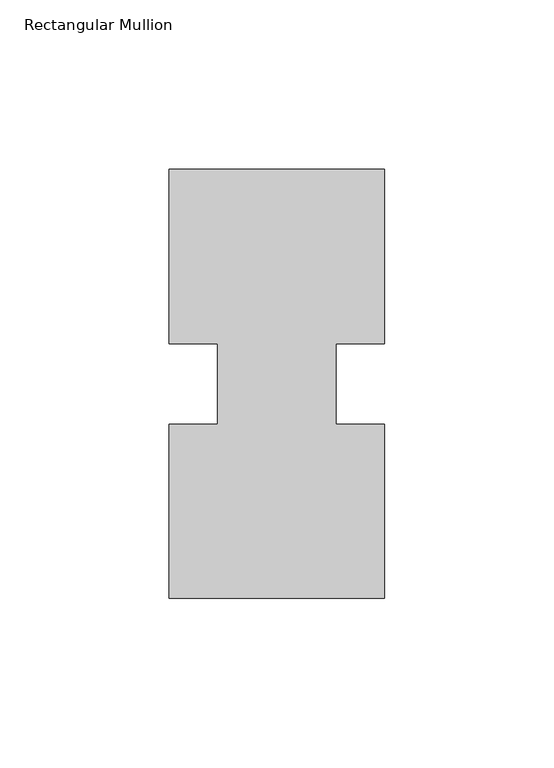
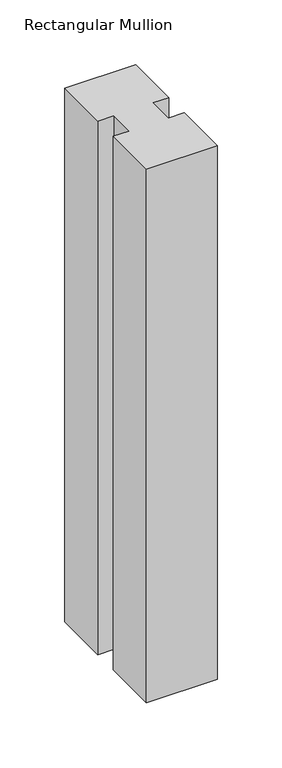
"""IFC4 building model written with IfcOpenShell, lengths in millimetres: member geometry, Rectangular Mullion."""

from ifc_helpers import new_model, si_unit, frame, origin, place, context, project, spatial, polyline, outline, extrude, source, transform, mapped, element, save


def rectangular_mullion_e39043be(model_context):
    return source(origin(), model_context, "Body", "SweptSolid", [
        extrude(outline(polyline([(-63.5, 0.26035), (-63.5, 51.60645), (-49.2125, 51.60645), (-49.2125, 75.40625), (-63.5, 75.40625), (-63.5, 126.75235), (0.0, 126.75235), (0.0, 75.40625), (-14.2748, 75.40625), (-14.2748, 51.60645), (0.0, 51.60645), (0.0, 0.26035), (-63.5, 0.26035)])), frame((0.0, 0.0, -504.79325), z_axis=(0.0, 0.0, 1.0), x_axis=(1.0, 0.0, 0.0)), (0.0, 0.0, 1.0), 504.79325),
    ])


if __name__ == "__main__":
    model = new_model("IFC4")
    model_context = context("Model", 3, world=origin())
    ifc_project = project(units=[si_unit("LENGTHUNIT", "METRE", prefix="MILLI")], contexts=[model_context])
    site = spatial("IfcSite", under=ifc_project)
    building = spatial("IfcBuilding", under=site)
    placement = place(None, origin())
    rectangular_mullion_shape = rectangular_mullion_e39043be(model_context)
    element("IfcMember", 1, ObjectType="Rectangular Mullion", at=placement, inside=building, context=model_context, shape_type="MappedRepresentation", body=[
        mapped(rectangular_mullion_shape, transform((0.0, 0.0, 0.0), x_axis=(1.0, 0.0, 0.0), y_axis=(0.0, 1.0, 0.0), z_axis=(0.0, 0.0, 1.0))),
    ])
    save(model, "model.ifc")
